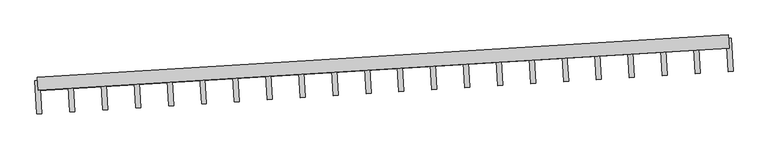
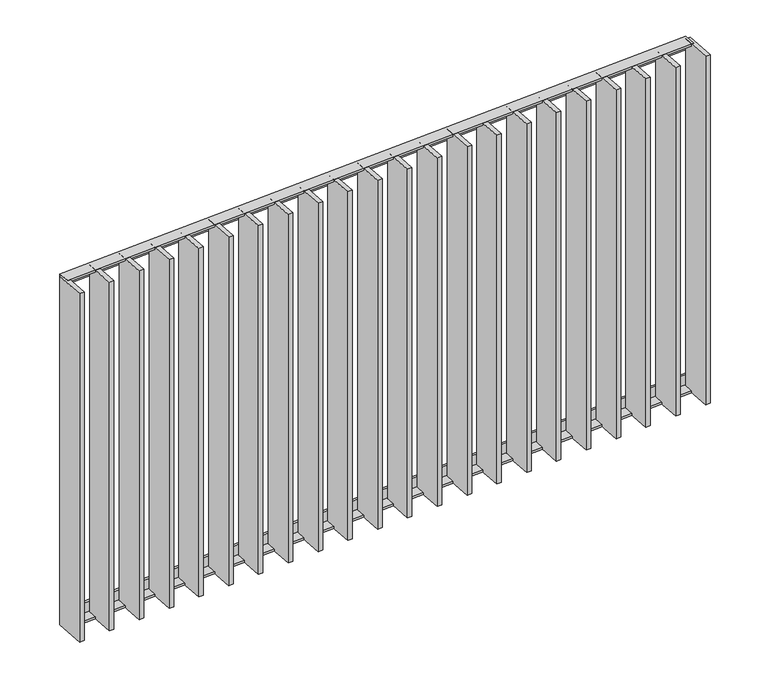
"""IFC4 building model written with IfcOpenShell, lengths in millimetres: railing geometry."""

from ifc_helpers import new_model, si_unit, frame, origin, place, context, project, spatial, polyline, outline, extrude, source, transform, mapped, element, save


def railing_b22be27f(model_context):
    return source(origin(), model_context, "Body", "SweptSolid", [
        extrude(outline(polyline([(-14.0, 6.0), (19.9999999, 6.0), (19.9999999, 0.0), (-20.0, 0.0), (-20.0, 40.0), (-14.0, 40.0), (-14.0, 6.0)])), frame((66011.6049582, 19328.79976, 8000.0), z_axis=(0.9981347984218564, 0.061048539535030394, 0.0), x_axis=(0.061048539535030394, -0.9981347984218564, 0.0)), (0.0, 0.0, 1.0), 2080.0),
        extrude(outline(polyline([(-14.0, -6.0), (-14.0, -40.0), (-20.0, -40.0), (-20.0, 0.0), (19.9999999, 0.0), (19.9999999, -6.0), (-14.0, -6.0)])), frame((66011.6049582, 19328.79976, 6820.0), z_axis=(0.9981347984218564, 0.061048539535030394, 0.0), x_axis=(0.061048539535030394, -0.9981347984218564, 0.0)), (0.0, 0.0, 1.0), 2080.0),
        extrude(outline(polyline([(66117.343359, 19345.2856846), (66123.448213, 19245.4722047), (66108.476191, 19244.5564766), (66102.3713371, 19344.3699565), (66117.343359, 19345.2856846)])), frame((0.0, 0.0, 6819.9), z_axis=(0.0, 0.0, 1.0), x_axis=(1.0, 0.0, 0.0)), (0.0, 0.0, 1.0), 1180.2),
        extrude(outline(polyline([(66216.2062343, 19351.332397), (66222.3110883, 19251.5189172), (66207.3390663, 19250.6031891), (66201.2342123, 19350.4166689), (66216.2062343, 19351.332397)])), frame((0.0, 0.0, 6819.9), z_axis=(0.0, 0.0, 1.0), x_axis=(1.0, 0.0, 0.0)), (0.0, 0.0, 1.0), 1180.2),
        extrude(outline(polyline([(66315.0691096, 19357.3791095), (66321.1739635, 19257.5656297), (66306.2019416, 19256.6499016), (66300.0970876, 19356.4633814), (66315.0691096, 19357.3791095)])), frame((0.0, 0.0, 6819.9), z_axis=(0.0, 0.0, 1.0), x_axis=(1.0, 0.0, 0.0)), (0.0, 0.0, 1.0), 1180.2),
        extrude(outline(polyline([(66413.9319849, 19363.425822), (66420.0368388, 19263.6123422), (66405.0648168, 19262.6966141), (66398.9599629, 19362.5100939), (66413.9319849, 19363.425822)])), frame((0.0, 0.0, 6819.9), z_axis=(0.0, 0.0, 1.0), x_axis=(1.0, 0.0, 0.0)), (0.0, 0.0, 1.0), 1180.2),
        extrude(outline(polyline([(66512.7948601, 19369.4725345), (66518.8997141, 19269.6590547), (66503.9276921, 19268.7433266), (66497.8228382, 19368.5568064), (66512.7948601, 19369.4725345)])), frame((0.0, 0.0, 6819.9), z_axis=(0.0, 0.0, 1.0), x_axis=(1.0, 0.0, 0.0)), (0.0, 0.0, 1.0), 1180.2),
        extrude(outline(polyline([(66611.6577354, 19375.519247), (66617.7625894, 19275.7057671), (66602.7905674, 19274.7900391), (66596.6857134, 19374.6035189), (66611.6577354, 19375.519247)])), frame((0.0, 0.0, 6819.9), z_axis=(0.0, 0.0, 1.0), x_axis=(1.0, 0.0, 0.0)), (0.0, 0.0, 1.0), 1180.2),
        extrude(outline(polyline([(66710.5206107, 19381.5659595), (66716.6254646, 19281.7524796), (66701.6534427, 19280.8367515), (66695.5485887, 19380.6502314), (66710.5206107, 19381.5659595)])), frame((0.0, 0.0, 6819.9), z_axis=(0.0, 0.0, 1.0), x_axis=(1.0, 0.0, 0.0)), (0.0, 0.0, 1.0), 1180.2),
        extrude(outline(polyline([(66809.383486, 19387.612672), (66815.4883399, 19287.7991921), (66800.5163179, 19286.883464), (66794.411464, 19386.6969439), (66809.383486, 19387.612672)])), frame((0.0, 0.0, 6819.9), z_axis=(0.0, 0.0, 1.0), x_axis=(1.0, 0.0, 0.0)), (0.0, 0.0, 1.0), 1180.2),
        extrude(outline(polyline([(66908.2463612, 19393.6593845), (66914.3512152, 19293.8459046), (66899.3791932, 19292.9301765), (66893.2743393, 19392.7436564), (66908.2463612, 19393.6593845)])), frame((0.0, 0.0, 6819.9), z_axis=(0.0, 0.0, 1.0), x_axis=(1.0, 0.0, 0.0)), (0.0, 0.0, 1.0), 1180.2),
        extrude(outline(polyline([(67007.1092365, 19399.7060969), (67013.2140905, 19299.8926171), (66998.2420685, 19298.976889), (66992.1372145, 19398.7903688), (67007.1092365, 19399.7060969)])), frame((0.0, 0.0, 6819.9), z_axis=(0.0, 0.0, 1.0), x_axis=(1.0, 0.0, 0.0)), (0.0, 0.0, 1.0), 1180.2),
        extrude(outline(polyline([(67105.9721118, 19405.7528094), (67112.0769657, 19305.9393296), (67097.1049437, 19305.0236015), (67091.0000898, 19404.8370813), (67105.9721118, 19405.7528094)])), frame((0.0, 0.0, 6819.9), z_axis=(0.0, 0.0, 1.0), x_axis=(1.0, 0.0, 0.0)), (0.0, 0.0, 1.0), 1180.2),
        extrude(outline(polyline([(67204.834987, 19411.7995219), (67210.939841, 19311.9860421), (67195.967819, 19311.070314), (67189.8629651, 19410.8837938), (67204.834987, 19411.7995219)])), frame((0.0, 0.0, 6819.9), z_axis=(0.0, 0.0, 1.0), x_axis=(1.0, 0.0, 0.0)), (0.0, 0.0, 1.0), 1180.2),
        extrude(outline(polyline([(67303.6978623, 19417.8462344), (67309.8027163, 19318.0327546), (67294.8306943, 19317.1170265), (67288.7258403, 19416.9305063), (67303.6978623, 19417.8462344)])), frame((0.0, 0.0, 6819.9), z_axis=(0.0, 0.0, 1.0), x_axis=(1.0, 0.0, 0.0)), (0.0, 0.0, 1.0), 1180.2),
        extrude(outline(polyline([(67402.5607376, 19423.8929469), (67408.6655915, 19324.079467), (67393.6935696, 19323.163739), (67387.5887156, 19422.9772188), (67402.5607376, 19423.8929469)])), frame((0.0, 0.0, 6819.9), z_axis=(0.0, 0.0, 1.0), x_axis=(1.0, 0.0, 0.0)), (0.0, 0.0, 1.0), 1180.2),
        extrude(outline(polyline([(67501.4236129, 19429.9396594), (67507.5284668, 19330.1261795), (67492.5564448, 19329.2104514), (67486.4515909, 19429.0239313), (67501.4236129, 19429.9396594)])), frame((0.0, 0.0, 6819.9), z_axis=(0.0, 0.0, 1.0), x_axis=(1.0, 0.0, 0.0)), (0.0, 0.0, 1.0), 1180.2),
        extrude(outline(polyline([(67600.2864881, 19435.9863719), (67606.3913421, 19336.172892), (67591.4193201, 19335.2571639), (67585.3144662, 19435.0706438), (67600.2864881, 19435.9863719)])), frame((0.0, 0.0, 6819.9), z_axis=(0.0, 0.0, 1.0), x_axis=(1.0, 0.0, 0.0)), (0.0, 0.0, 1.0), 1180.2),
        extrude(outline(polyline([(67699.1493634, 19442.0330843), (67705.2542174, 19342.2196045), (67690.2821954, 19341.3038764), (67684.1773414, 19441.1173563), (67699.1493634, 19442.0330843)])), frame((0.0, 0.0, 6819.9), z_axis=(0.0, 0.0, 1.0), x_axis=(1.0, 0.0, 0.0)), (0.0, 0.0, 1.0), 1180.2),
        extrude(outline(polyline([(67798.0122387, 19448.0797968), (67804.1170926, 19348.266317), (67789.1450707, 19347.3505889), (67783.0402167, 19447.1640687), (67798.0122387, 19448.0797968)])), frame((0.0, 0.0, 6819.9), z_axis=(0.0, 0.0, 1.0), x_axis=(1.0, 0.0, 0.0)), (0.0, 0.0, 1.0), 1180.2),
        extrude(outline(polyline([(67896.875114, 19454.1265093), (67902.9799679, 19354.3130295), (67888.0079459, 19353.3973014), (67881.903092, 19453.2107812), (67896.875114, 19454.1265093)])), frame((0.0, 0.0, 6819.9), z_axis=(0.0, 0.0, 1.0), x_axis=(1.0, 0.0, 0.0)), (0.0, 0.0, 1.0), 1180.2),
        extrude(outline(polyline([(67995.7379892, 19460.1732218), (68001.8428432, 19360.359742), (67986.8708212, 19359.4440139), (67980.7659672, 19459.2574937), (67995.7379892, 19460.1732218)])), frame((0.0, 0.0, 6819.9), z_axis=(0.0, 0.0, 1.0), x_axis=(1.0, 0.0, 0.0)), (0.0, 0.0, 1.0), 1180.2),
        extrude(outline(polyline([(66018.4804838, 19339.2389721), (66024.5853377, 19239.4254922), (66009.6133158, 19238.5097641), (66003.5084618, 19338.323244), (66018.4804838, 19339.2389721)])), frame((0.0, 0.0, 6819.9), z_axis=(0.0, 0.0, 1.0), x_axis=(1.0, 0.0, 0.0)), (0.0, 0.0, 1.0), 1180.2),
        extrude(outline(polyline([(68094.6008645, 19466.2199343), (68100.7057184, 19366.4064545), (68085.7336965, 19365.4907264), (68079.6288425, 19465.3042062), (68094.6008645, 19466.2199343)])), frame((0.0, 0.0, 6819.9), z_axis=(0.0, 0.0, 1.0), x_axis=(1.0, 0.0, 0.0)), (0.0, 0.0, 1.0), 1180.2),
    ])


if __name__ == "__main__":
    model = new_model("IFC4")
    model_context = context("Model", 3, world=origin())
    ifc_project = project(units=[si_unit("LENGTHUNIT", "METRE", prefix="MILLI")], contexts=[model_context])
    site = spatial("IfcSite", under=ifc_project)
    building = spatial("IfcBuilding", under=site)
    placement = place(None, origin())
    railing_shape = railing_b22be27f(model_context)
    element("IfcRailing", 1, at=placement, inside=building, context=model_context, shape_type="MappedRepresentation", body=[
        mapped(railing_shape, transform((0.0, 0.0, 0.0), x_axis=(1.0, 0.0, 0.0), y_axis=(0.0, 1.0, 0.0), z_axis=(0.0, 0.0, 1.0))),
    ])
    save(model, "model.ifc")
